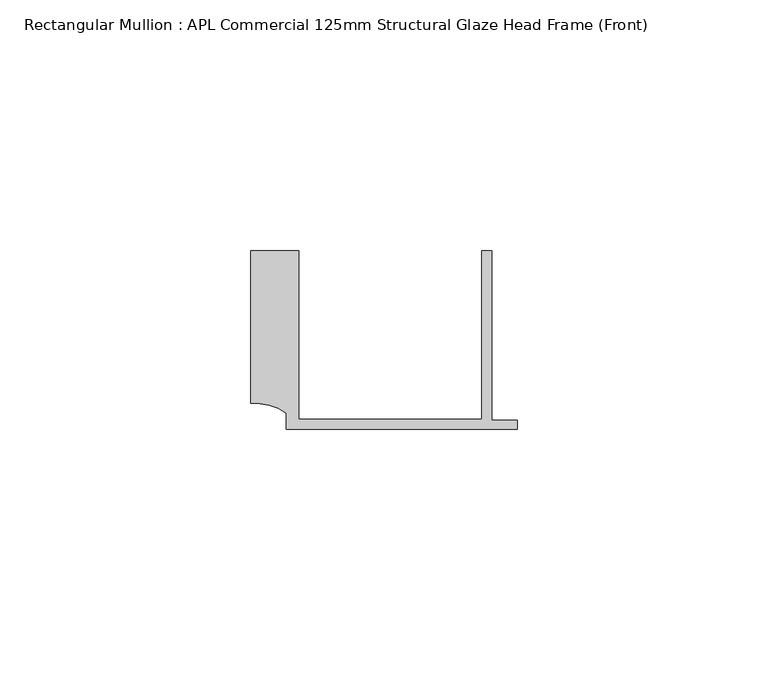
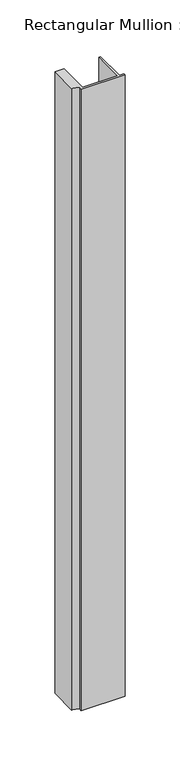
"""IFC4 building model written with IfcOpenShell, lengths in millimetres: member geometry, Rectangular Mullion : APL Commercial 125mm Structural Glaze Head Frame (Front)."""

from ifc_helpers import new_model, si_unit, point, frame, frame_2d, origin, place, context, project, spatial, polyline, circle_curve, trimmed, segment, composite_curve, outline, extrude, source, transform, mapped, element, save


def rectangular_mullion_apl_commercial_125mm_structural_glaze_61e32842(model_context):
    return source(origin(), model_context, "Body", "SweptSolid", [
        extrude(outline(composite_curve([segment(polyline([(-52.9999542, 15.0), (-43.5000151, 15.0), (-43.5000151, -18.5002486), (-7.0, -18.5002486), (-7.0, 15.0), (-5.0, 15.0), (-5.0, -18.7002486), (0.0, -18.7002486), (0.0, -20.5002486), (-45.9999994, -20.5002486), (-45.9999994, -17.3126154)]), True, "CONTINUOUS"), segment(trimmed(circle_curve(frame_2d((-52.109817, -25.7982641)), 10.4563907), [point((-45.9999994, -17.3126154))], [point((-52.9999542, -15.3798304))], True, "CARTESIAN"), True, "CONTINUOUS"), segment(polyline([(-52.9999542, -15.3798304), (-52.9999542, 15.0)]), True, "CONTINUOUS")], self_intersect=False)), frame((0.0, 0.0, -688.0250761), z_axis=(0.0, 0.0, 1.0), x_axis=(1.0, 0.0, 0.0)), (0.0, 0.0, 1.0), 688.0250761),
    ])


if __name__ == "__main__":
    model = new_model("IFC4")
    model_context = context("Model", 3, world=origin())
    ifc_project = project(units=[si_unit("LENGTHUNIT", "METRE", prefix="MILLI")], contexts=[model_context])
    site = spatial("IfcSite", under=ifc_project)
    building = spatial("IfcBuilding", under=site)
    placement = place(None, origin())
    rectangular_mullion_apl_commercial_125mm_structural_glaze_shape = rectangular_mullion_apl_commercial_125mm_structural_glaze_61e32842(model_context)
    element("IfcMember", 1, ObjectType="Rectangular Mullion : APL Commercial 125mm Structural Glaze Head Frame (Front)", at=placement, inside=building, context=model_context, shape_type="MappedRepresentation", body=[
        mapped(rectangular_mullion_apl_commercial_125mm_structural_glaze_shape, transform((0.0, 0.0, 0.0), x_axis=(1.0, 0.0, 0.0), y_axis=(0.0, 1.0, 0.0), z_axis=(0.0, 0.0, 1.0))),
    ])
    save(model, "model.ifc")
